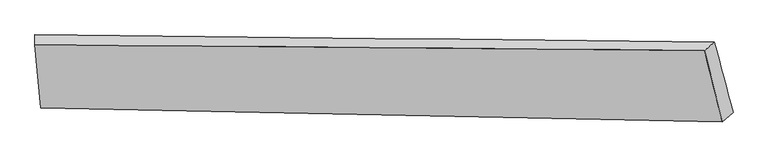
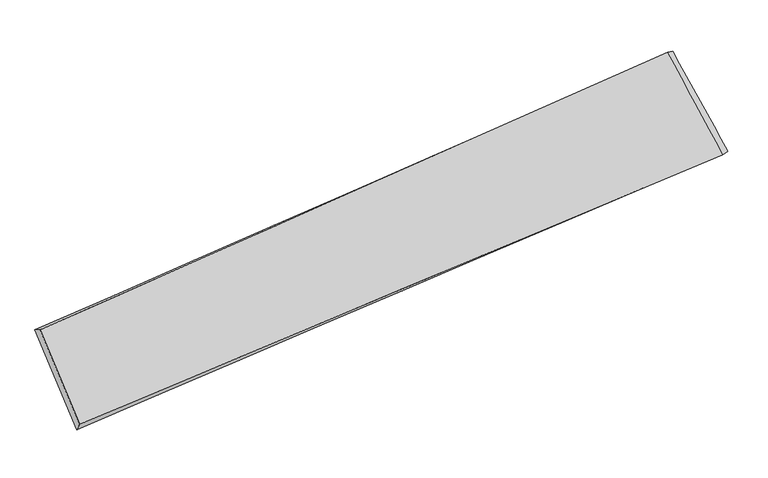
"""IFC4 building model written with IfcOpenShell, lengths in millimetres: proxy geometry."""

from ifc_helpers import new_model, si_unit, frame, origin, place, context, project, spatial, source, transform, mapped, element, save
from ifc_brep_helpers import plane_surface, spline_surface, advanced_brep


def generic_models_c000ba8f(model_context):
    return source(origin(), model_context, "Body", "AdvancedBrep", [
        advanced_brep(
        [(-3487.798252, -998.3347118, 1453.108304), (-3476.3994138, -1119.9764547, 1316.696897), (-3476.9711573, -1131.7350019, 1335.1533621), (-3487.7778481, -1016.4123106, 1464.4784622), (-2213.2711876, -1140.3010479, 1462.3255179), (-2233.1123825, -1157.8170636, 1473.3010383), (-2247.4052651, -1011.599549, 1603.7062013), (-2265.4186017, -1026.8672512, 1617.4490881)],
        [
            (0, 1),
            (1, 2),
            (2, 3),
            (3, 0),
            (1, 4),
            (4, 5),
            (5, 2),
            (4, 6),
            (6, 7),
            (7, 5),
            (6, 0),
            (3, 7),
        ],
        [
            plane_surface(frame((-3482.0988329, -1059.1555832, 1384.9026005), z_axis=(-0.9980156746664957, -0.034326991782790084, -0.05278608486262239), x_axis=(0.06224625871710378, -0.6642557123078974, -0.7449092239609142))),
            spline_surface(1, 1, [[(-3476.3994138, -1119.9764547, 1316.696897), (-3476.9711573, -1131.7350019, 1335.1533621)], [(-2213.2711876, -1140.3010479, 1462.3255179), (-2233.1123825, -1157.8170636, 1473.3010383)]], [2, 2], [2, 2], [0.0, 1.0], [0.0, 1.0]),
            spline_surface(1, 1, [[(-2213.2711876, -1140.3010479, 1462.3255179), (-2233.1123825, -1157.8170636, 1473.3010383)], [(-2247.4052651, -1011.599549, 1603.7062013), (-2265.4186017, -1026.8672512, 1617.4490881)]], [2, 2], [2, 2], [0.0, 1.0], [0.0, 1.0]),
            spline_surface(1, 1, [[(-2247.4052651, -1011.599549, 1603.7062013), (-2265.4186017, -1026.8672512, 1617.4490881)], [(-3487.798252, -998.3347118, 1453.108304), (-3487.7778481, -1016.4123106, 1464.4784622)]], [2, 2], [2, 2], [0.0, 1.0], [0.0, 1.0]),
            plane_surface(frame((-2865.8199974, -1083.2079069, 1472.5954877), z_axis=(-0.08883081291961178, -0.7470817060382585, 0.6587700745928021), x_axis=(0.06224625871710378, -0.6642557123078974, -0.7449092239609142))),
            plane_surface(frame((-2856.2185296, -1067.5529408, 1458.95923), z_axis=(0.08798268558111741, 0.7471029030772169, -0.6588598479582202), x_axis=(0.9926541912677879, -0.010615503669922255, 0.12051957368132363))),
        ],
        [
            (0, [[1, 2, 3, 4]]),
            (1, [[5, 6, 7, -2]]),
            (2, [[8, 9, 10, -6]]),
            (3, [[11, -4, 12, -9]]),
            (4, [[-3, -7, -10, -12]]),
            (5, [[-11, -8, -5, -1]]),
        ],
    ),
    ])


if __name__ == "__main__":
    model = new_model("IFC4")
    model_context = context("Model", 3, world=origin())
    ifc_project = project(units=[si_unit("LENGTHUNIT", "METRE", prefix="MILLI")], contexts=[model_context])
    site = spatial("IfcSite", under=ifc_project)
    building = spatial("IfcBuilding", under=site)
    placement = place(None, origin())
    generic_models_shape = generic_models_c000ba8f(model_context)
    element("IfcBuildingElementProxy", 1, Name="Generic Models", at=placement, inside=building, context=model_context, shape_type="MappedRepresentation", body=[
        mapped(generic_models_shape, transform((0.0, 0.0, 0.0), x_axis=(1.0, 0.0, 0.0), y_axis=(0.0, 1.0, 0.0), z_axis=(0.0, 0.0, 1.0))),
    ])
    save(model, "model.ifc")
